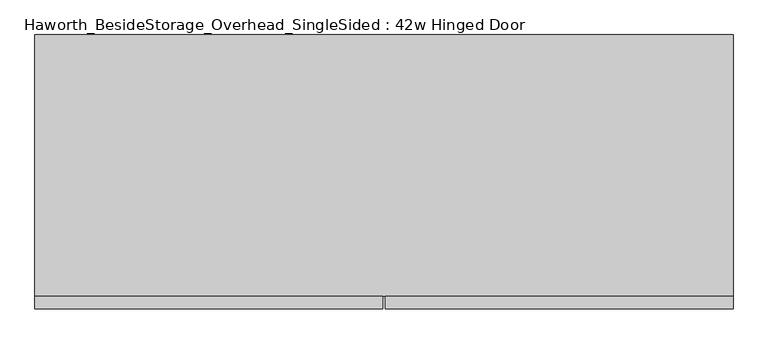
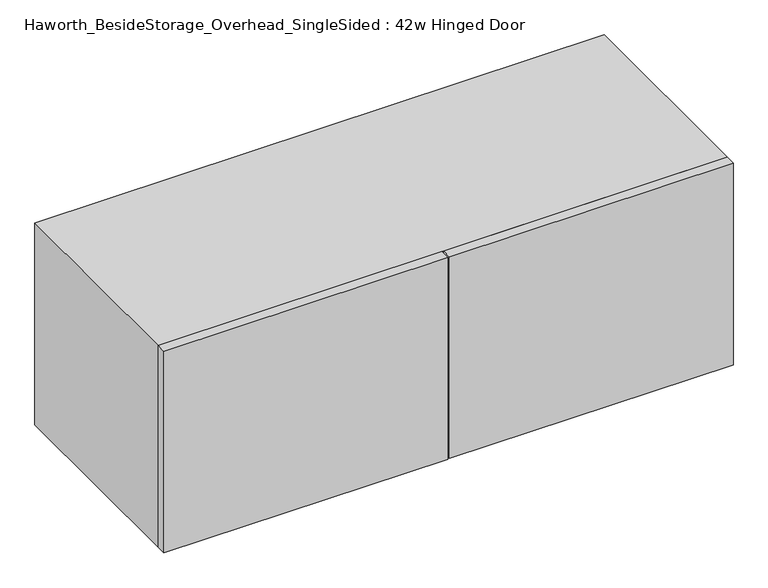
"""IFC4 building model written with IfcOpenShell, lengths in millimetres: furniture geometry, Haworth_BesideStorage_Overhead_SingleSided : 42w Hinged Door."""

from ifc_helpers import new_model, si_unit, frame, origin, place, context, project, spatial, polyline, outline, extrude, source, transform, mapped, element, save


def haworth_besidestorage_overhead_singlesided_42w_hinged_door_068e8db0(model_context):
    return source(origin(), model_context, "Body", "SweptSolid", [
        extrude(outline(polyline([(166.6875, -419.1), (166.6875, -400.05), (698.5, -400.05), (698.5, -419.1), (166.6875, -419.1)])), frame((0.0, 0.0, 762.0), z_axis=(0.0, 0.0, 1.0), x_axis=(1.0, 0.0, 0.0)), (0.0, 0.0, 1.0), 400.05),
        extrude(outline(polyline([(163.5125, -419.1), (-368.3, -419.1), (-368.3, -400.05), (163.5125, -400.05), (163.5125, -419.1)])), frame((0.0, 0.0, 762.0), z_axis=(0.0, 0.0, 1.0), x_axis=(1.0, 0.0, 0.0)), (0.0, 0.0, 1.0), 400.05),
        extrude(outline(polyline([(174.625, -400.05), (155.575, -400.05), (155.575, -19.05), (174.625, -19.05), (174.625, -400.05)])), frame((0.0, 0.0, 781.05), z_axis=(0.0, 0.0, 1.0), x_axis=(1.0, 0.0, 0.0)), (0.0, 0.0, 1.0), 361.95),
        extrude(outline(polyline([(679.45, -19.05), (-349.25, -19.05), (-349.25, 0.0), (679.45, 0.0), (679.45, -19.05)])), frame((0.0, 0.0, 781.05), z_axis=(0.0, 0.0, 1.0), x_axis=(1.0, 0.0, 0.0)), (0.0, 0.0, 1.0), 361.95),
        extrude(outline(polyline([(762.0, 698.5), (1162.05, 698.5), (1162.05, -368.3), (762.0, -368.3), (762.0, 698.5)]), holes=[polyline([(1143.0, 679.45), (781.05, 679.45), (781.05, -349.25), (1143.0, -349.25), (1143.0, 679.45)])]), frame((0.0, -400.05, 0.0), z_axis=(0.0, 1.0, 0.0), x_axis=(0.0, 0.0, 1.0)), (0.0, 0.0, 1.0), 400.05),
    ])


if __name__ == "__main__":
    model = new_model("IFC4")
    model_context = context("Model", 3, world=origin())
    ifc_project = project(units=[si_unit("LENGTHUNIT", "METRE", prefix="MILLI")], contexts=[model_context])
    site = spatial("IfcSite", under=ifc_project)
    building = spatial("IfcBuilding", under=site)
    placement = place(None, origin())
    haworth_besidestorage_overhead_singlesided_42w_hinged_door_shape = haworth_besidestorage_overhead_singlesided_42w_hinged_door_068e8db0(model_context)
    element("IfcFurniture", 1, ObjectType="Haworth_BesideStorage_Overhead_SingleSided : 42w Hinged Door", at=placement, inside=building, context=model_context, shape_type="MappedRepresentation", body=[
        mapped(haworth_besidestorage_overhead_singlesided_42w_hinged_door_shape, transform((0.0, 0.0, 0.0), x_axis=(1.0, 0.0, 0.0), y_axis=(0.0, 1.0, 0.0), z_axis=(0.0, 0.0, 1.0))),
    ])
    save(model, "model.ifc")
